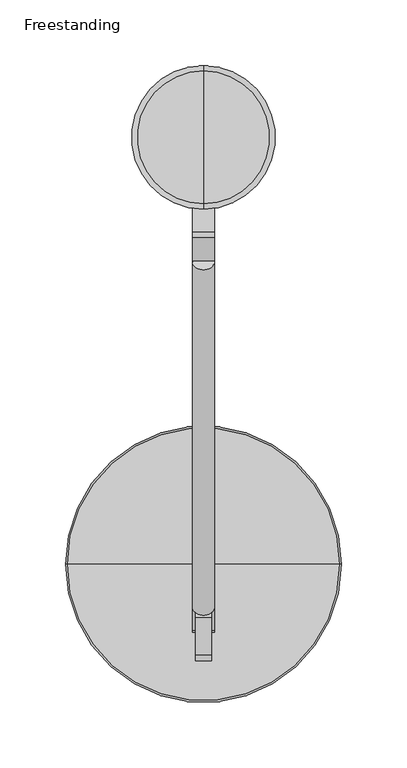
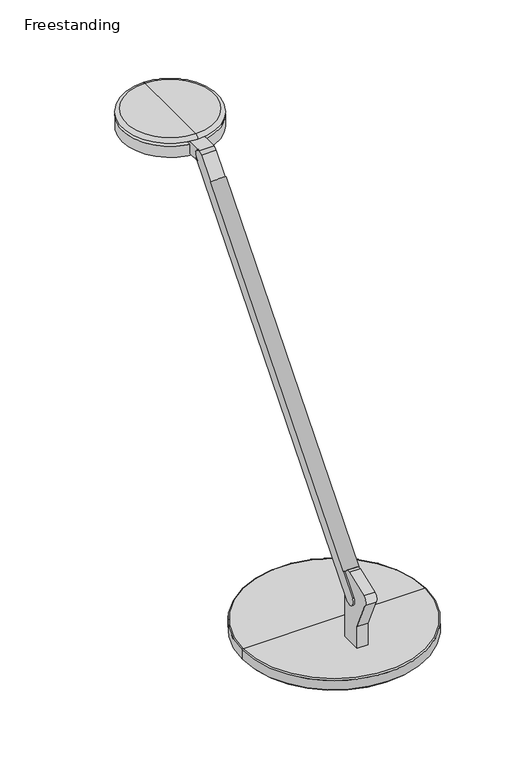
"""IFC4 building model written with IfcOpenShell, lengths in millimetres: furniture geometry, Freestanding."""

from ifc_helpers import new_model, si_unit, point, frame, frame_2d, origin, place, context, project, spatial, polyline, circle_curve, ellipse_curve, trimmed, segment, composite_curve, outline, extrude, source, transform, mapped, element, save
from ifc_brep_helpers import plane_surface, cylinder_surface, revolved_surface, advanced_brep


def freestanding_b2d482ed(model_context):
    return source(origin(), model_context, "Body", "SolidModel", [
        extrude(outline(composite_curve([segment(trimmed(circle_curve(frame_2d((0.0, 161.2861314)), 8.509), [point((8.509, 161.2861314))], [point((-8.509, 161.2861314))], False, "CARTESIAN"), True, "CONTINUOUS"), segment(polyline([(-8.509, 161.2861314), (8.509, 161.2861314)]), True, "CONTINUOUS")], self_intersect=False)), frame((0.0, -59.9275977, 934.0367561), z_axis=(0.0, 0.6453157173859881, 0.7639159802586981), x_axis=(1.0, 0.0, 0.0)), (0.0, 0.0, 1.0), 407.9752226),
        extrude(outline(composite_curve([segment(polyline([(1165.3599936, 383.6426805), (1165.3599936, 349.1496158)]), True, "CONTINUOUS"), segment(trimmed(circle_curve(frame_2d((1158.6105852, 349.1496158)), 6.7494084), [point((1165.3599936, 349.1496158))], [point((1154.3820582, 354.4102311))], True, "CARTESIAN"), True, "CONTINUOUS"), segment(polyline([(1154.3820582, 354.4102311), (1151.5508717, 352.0202702), (1151.5508717, 366.3659959), (1162.4056, 366.3659959), (1162.4056, 381.1636499), (1165.3599936, 383.6426805)]), True, "CONTINUOUS")], self_intersect=False)), frame((8.509, 0.0, 0.0), z_axis=(-1.0, 0.0, 0.0), x_axis=(0.0, 0.0, 1.0)), (0.0, 0.0, 1.0), 17.018),
        extrude(outline(composite_curve([segment(polyline([(63.6335559, 826.008), (63.6335559, 750.951), (39.5289559, 750.951), (39.5289559, 777.008319), (24.0322898, 811.8144009)]), True, "CONTINUOUS"), segment(trimmed(circle_curve(frame_2d((28.6602337, 816.3670075)), 6.491848), [point((24.0322898, 811.8144009))], [point((26.3337634, 822.4276697))], False, "CARTESIAN"), True, "CONTINUOUS"), segment(polyline([(26.3337634, 822.4276697), (54.9477675, 833.4115568)]), True, "CONTINUOUS"), segment(trimmed(circle_curve(frame_2d((57.2760289, 827.3462287)), 6.4968459), [point((54.9477675, 833.4115568))], [point((63.6335559, 826.008))], False, "CARTESIAN"), True, "CONTINUOUS")], self_intersect=False)), frame((-6.223, 0.0, 0.0), z_axis=(1.0, 0.0, 0.0), x_axis=(0.0, 1.0, 0.0)), (0.0, 0.0, 1.0), 12.446),
        advanced_brep(
        [(0.0, 95.563788, 750.9476331), (-103.8479, 95.563788, 750.9476331), (103.8479, 95.563788, 750.9476331), (-93.0792702, 95.563788, 731.9816908), (0.0, 95.563788, 731.9816908), (93.0792702, 95.563788, 731.9816908), (-93.0792702, 95.563788, 732.8852565), (93.0792702, 95.563788, 732.8852565), (-95.8939876, 95.563788, 732.8852565), (95.8939876, 95.563788, 732.8852565), (-102.4300117, 95.563788, 735.7952819), (102.4300117, 95.563788, 735.7952819), (-102.4300117, 95.563788, 738.6286331), (102.4300117, 95.563788, 738.6286331), (-105.3308643, 95.563788, 738.6286331), (105.3308643, 95.563788, 738.6286331), (-105.3308643, 95.563788, 749.4646687), (105.3308643, 95.563788, 749.4646687)],
        [
            (0, 1),
            (1, 2, circle_curve(frame((0.0, 95.563788, 750.9476331), z_axis=(0.0, 0.0, 1.0), x_axis=(1.0, 0.0, 0.0)), 103.8479)),
            (2, 0),
            (2, 1, circle_curve(frame((0.0, 95.563788, 750.9476331), z_axis=(0.0, 0.0, 1.0), x_axis=(1.0, 0.0, 0.0)), 103.8479)),
            (3, 4),
            (4, 5),
            (5, 3, circle_curve(frame((0.0, 95.563788, 731.9816908), z_axis=(0.0, 0.0, -1.0), x_axis=(1.0, 0.0, 0.0)), 93.0792702)),
            (3, 5, circle_curve(frame((0.0, 95.563788, 731.9816908), z_axis=(0.0, 0.0, -1.0), x_axis=(1.0, 0.0, 0.0)), 93.0792702)),
            (6, 3),
            (5, 7),
            (7, 6, circle_curve(frame((0.0, 95.563788, 732.8852565), z_axis=(0.0, 0.0, -1.0), x_axis=(1.0, 0.0, 0.0)), 93.0792702)),
            (6, 7, circle_curve(frame((0.0, 95.563788, 732.8852565), z_axis=(0.0, 0.0, -1.0), x_axis=(1.0, 0.0, 0.0)), 93.0792702)),
            (8, 6),
            (7, 9),
            (9, 8, circle_curve(frame((0.0, 95.563788, 732.8852565), z_axis=(0.0, 0.0, -1.0), x_axis=(1.0, 0.0, 0.0)), 95.8939876)),
            (8, 9, circle_curve(frame((0.0, 95.563788, 732.8852565), z_axis=(0.0, 0.0, -1.0), x_axis=(1.0, 0.0, 0.0)), 95.8939876)),
            (10, 8),
            (9, 11),
            (11, 10, circle_curve(frame((0.0, 95.563788, 735.7952819), z_axis=(0.0, 0.0, -1.0), x_axis=(1.0, 0.0, 0.0)), 102.4300117)),
            (10, 11, circle_curve(frame((0.0, 95.563788, 735.7952819), z_axis=(0.0, 0.0, -1.0), x_axis=(1.0, 0.0, 0.0)), 102.4300117)),
            (12, 10),
            (11, 13),
            (13, 12, circle_curve(frame((0.0, 95.563788, 738.6286331), z_axis=(0.0, 0.0, -1.0), x_axis=(1.0, 0.0, 0.0)), 102.4300117)),
            (12, 13, circle_curve(frame((0.0, 95.563788, 738.6286331), z_axis=(0.0, 0.0, -1.0), x_axis=(1.0, 0.0, 0.0)), 102.4300117)),
            (14, 12),
            (13, 15),
            (15, 14, circle_curve(frame((0.0, 95.563788, 738.6286331), z_axis=(0.0, 0.0, -1.0), x_axis=(1.0, 0.0, 0.0)), 105.3308643)),
            (14, 15, circle_curve(frame((0.0, 95.563788, 738.6286331), z_axis=(0.0, 0.0, -1.0), x_axis=(1.0, 0.0, 0.0)), 105.3308643)),
            (16, 14),
            (15, 17),
            (17, 16, circle_curve(frame((0.0, 95.563788, 749.4646687), z_axis=(0.0, 0.0, -1.0), x_axis=(1.0, 0.0, 0.0)), 105.3308643)),
            (16, 17, circle_curve(frame((0.0, 95.563788, 749.4646687), z_axis=(0.0, 0.0, -1.0), x_axis=(1.0, 0.0, 0.0)), 105.3308643)),
            (1, 16, circle_curve(frame((-103.8479, 95.563788, 749.4646687), z_axis=(0.0, -1.0, 0.0), x_axis=(-1.0, 0.0, 0.0)), 1.4829643)),
            (17, 2, circle_curve(frame((103.8479, 95.563788, 749.4646687), z_axis=(0.0, -1.0, 0.0), x_axis=(1.0, 0.0, 0.0)), 1.4829643)),
        ],
        [
            plane_surface(frame((0.0, 95.563788, 750.9476331), z_axis=(0.0, 0.0, 1.0), x_axis=(1.0, 0.0, 0.0))),
            plane_surface(frame((0.0, 95.563788, 731.9816908), z_axis=(0.0, 0.0, -1.0), x_axis=(1.0, 0.0, 0.0))),
            cylinder_surface(frame((0.0, 95.563788, 757.2976331), z_axis=(0.0, 0.0, 1.0), x_axis=(1.0, 0.0, 0.0)), 93.0792702),
            plane_surface(frame((0.0, 95.563788, 732.8852565), z_axis=(0.0, 0.0, -1.0), x_axis=(1.0, 0.0, 0.0))),
            revolved_surface(polyline([(95.8939876, 95.563788, 732.8852565), (102.4300117, 95.563788, 735.7952819)]), (0.0, 95.563788, 757.2976331), (0.0, 0.0, 1.0)),
            cylinder_surface(frame((0.0, 95.563788, 757.2976331), z_axis=(0.0, 0.0, 1.0), x_axis=(1.0, 0.0, 0.0)), 102.4300117),
            plane_surface(frame((0.0, 95.563788, 738.6286331), z_axis=(0.0, 0.0, -1.0), x_axis=(1.0, 0.0, 0.0))),
            cylinder_surface(frame((0.0, 95.563788, 757.2976331), z_axis=(0.0, 0.0, 1.0), x_axis=(1.0, 0.0, 0.0)), 105.3308643),
            revolved_surface(trimmed(ellipse_curve(frame((103.8479, 95.563788, 749.4646687), z_axis=(0.0, -1.0, 0.0), x_axis=(1.0, 0.0, 0.0)), 1.4829643, 1.4829643), [point((105.3308643, 95.563788, 749.4646687))], [point((103.8479, 95.563788, 750.9476331))], True, "CARTESIAN"), (0.0, 95.563788, 757.2976331), (0.0, 0.0, 1.0)),
        ],
        [
            (0, [[1, 2, 3]]),
            (0, [[-3, 4, -1]]),
            (1, [[5, 6, 7]]),
            (1, [[-6, -5, 8]]),
            (2, [[9, -7, 10, 11]]),
            (2, [[-10, -8, -9, 12]]),
            (3, [[13, -11, 14, 15]]),
            (3, [[-14, -12, -13, 16]]),
            (4, [[17, -15, 18, 19]]),
            (4, [[-18, -16, -17, 20]]),
            (5, [[21, -19, 22, 23]]),
            (5, [[-22, -20, -21, 24]]),
            (6, [[25, -23, 26, 27]]),
            (6, [[-26, -24, -25, 28]]),
            (7, [[29, -27, 30, 31]]),
            (7, [[-30, -28, -29, 32]]),
            (8, [[33, -31, 34, -2]]),
            (8, [[-34, -32, -33, -4]]),
        ],
    ),
        advanced_brep(
        [(0.0, 366.3659959, 1166.2156), (0.0, 370.4220506, 1170.0256), (0.0, 471.7839412, 1170.0256), (0.0, 475.8399959, 1166.2156), (0.0, 384.354515, 1166.2156), (0.0, 457.8514768, 1166.2156), (0.0, 381.6867242, 1162.4056), (0.0, 460.5192676, 1162.4056), (0.0, 366.3659959, 1162.4056), (0.0, 475.8399959, 1162.4056), (0.0, 366.3659959, 1149.0706), (0.0, 475.8399959, 1149.0706), (0.0, 421.1029959, 1149.0706), (0.0, 421.1029959, 1170.0256)],
        [
            (0, 1, circle_curve(frame((0.0, 370.4220506, 1165.9616), z_axis=(-1.0, 0.0, 0.0), x_axis=(0.0, -1.0, 0.0)), 4.064)),
            (1, 2, circle_curve(frame((0.0, 421.1029959, 1170.0256), z_axis=(0.0, 0.0, -1.0), x_axis=(0.0, 1.0, 0.0)), 50.6809453)),
            (2, 3, circle_curve(frame((0.0, 471.7839412, 1165.9616), z_axis=(-1.0, 0.0, 0.0), x_axis=(0.0, 1.0, 0.0)), 4.064)),
            (3, 0, circle_curve(frame((0.0, 421.1029959, 1166.2156), z_axis=(0.0, 0.0, 1.0), x_axis=(0.0, 1.0, 0.0)), 54.737)),
            (2, 1, circle_curve(frame((0.0, 421.1029959, 1170.0256), z_axis=(0.0, 0.0, -1.0), x_axis=(0.0, 1.0, 0.0)), 50.6809453)),
            (0, 3, circle_curve(frame((0.0, 421.1029959, 1166.2156), z_axis=(0.0, 0.0, 1.0), x_axis=(0.0, 1.0, 0.0)), 54.737)),
            (4, 0),
            (3, 5),
            (5, 4, circle_curve(frame((0.0, 421.1029959, 1166.2156), z_axis=(0.0, 0.0, 1.0), x_axis=(0.0, 1.0, 0.0)), 36.7484809)),
            (4, 5, circle_curve(frame((0.0, 421.1029959, 1166.2156), z_axis=(0.0, 0.0, 1.0), x_axis=(0.0, 1.0, 0.0)), 36.7484809)),
            (6, 4),
            (5, 7),
            (7, 6, circle_curve(frame((0.0, 421.1029959, 1162.4056), z_axis=(0.0, 0.0, 1.0), x_axis=(0.0, 1.0, 0.0)), 39.4162717)),
            (6, 7, circle_curve(frame((0.0, 421.1029959, 1162.4056), z_axis=(0.0, 0.0, 1.0), x_axis=(0.0, 1.0, 0.0)), 39.4162717)),
            (8, 6),
            (7, 9),
            (9, 8, circle_curve(frame((0.0, 421.1029959, 1162.4056), z_axis=(0.0, 0.0, 1.0), x_axis=(0.0, 1.0, 0.0)), 54.737)),
            (8, 9, circle_curve(frame((0.0, 421.1029959, 1162.4056), z_axis=(0.0, 0.0, 1.0), x_axis=(0.0, 1.0, 0.0)), 54.737)),
            (10, 8),
            (9, 11),
            (11, 10, circle_curve(frame((0.0, 421.1029959, 1149.0706), z_axis=(0.0, 0.0, 1.0), x_axis=(0.0, 1.0, 0.0)), 54.737)),
            (10, 11, circle_curve(frame((0.0, 421.1029959, 1149.0706), z_axis=(0.0, 0.0, 1.0), x_axis=(0.0, 1.0, 0.0)), 54.737)),
            (12, 10),
            (11, 12),
            (1, 13),
            (13, 2),
        ],
        [
            revolved_surface(trimmed(ellipse_curve(frame((0.0, 471.7839412, 1165.9616), z_axis=(-1.0, 0.0, 0.0), x_axis=(0.0, 1.0, 0.0)), 4.064, 4.064), [point((0.0, 471.7839412, 1170.0256))], [point((0.0, 475.8399959, 1166.2156))], True, "CARTESIAN"), (0.0, 421.1029959, 1170.0256), (0.0, 0.0, -1.0)),
            plane_surface(frame((0.0, 421.1029959, 1166.2156), z_axis=(0.0, 0.0, -1.0), x_axis=(0.0, 1.0, 0.0))),
            revolved_surface(polyline([(0.0, 457.8514768, 1166.2156), (0.0, 460.5192676, 1162.4056)]), (0.0, 421.1029959, 1170.0256), (0.0, 0.0, -1.0)),
            plane_surface(frame((0.0, 421.1029959, 1162.4056), z_axis=(0.0, 0.0, 1.0), x_axis=(0.0, 1.0, 0.0))),
            cylinder_surface(frame((0.0, 421.1029959, 1170.0256), z_axis=(0.0, 0.0, -1.0), x_axis=(0.0, 1.0, 0.0)), 54.737),
            plane_surface(frame((0.0, 421.1029959, 1149.0706), z_axis=(0.0, 0.0, -1.0), x_axis=(0.0, 1.0, 0.0))),
            plane_surface(frame((0.0, 421.1029959, 1170.0256), z_axis=(0.0, 0.0, 1.0), x_axis=(0.0, 1.0, 0.0))),
        ],
        [
            (0, [[1, 2, 3, 4]]),
            (0, [[-3, 5, -1, 6]]),
            (1, [[7, -4, 8, 9]]),
            (1, [[-8, -6, -7, 10]]),
            (2, [[11, -9, 12, 13]]),
            (2, [[-12, -10, -11, 14]]),
            (3, [[15, -13, 16, 17]]),
            (3, [[-16, -14, -15, 18]]),
            (4, [[19, -17, 20, 21]]),
            (4, [[-20, -18, -19, 22]]),
            (5, [[23, -21, 24]]),
            (5, [[-24, -22, -23]]),
            (6, [[25, 26, -2]]),
            (6, [[-26, -25, -5]]),
        ],
    ),
        extrude(outline(composite_curve([segment(polyline([(45.3086429, 808.6803092), (344.4466482, 1162.7958164)]), True, "CONTINUOUS"), segment(trimmed(circle_curve(frame_2d((349.4277131, 1158.5880769)), 6.5204355), [point((344.4466482, 1162.7958164))], [point((354.4102311, 1154.3820582))], False, "CARTESIAN"), True, "CONTINUOUS"), segment(polyline([(354.4102311, 1154.3820582), (55.394567, 800.16324)]), True, "CONTINUOUS"), segment(trimmed(circle_curve(frame_2d((50.3508694, 804.4209036)), 6.6004988), [point((55.394567, 800.16324))], [point((45.3086429, 808.6803092))], False, "CARTESIAN"), True, "CONTINUOUS")], self_intersect=False)), frame((-8.509, 0.0, 0.0), z_axis=(1.0, 0.0, 0.0), x_axis=(0.0, 1.0, 0.0)), (0.0, 0.0, 1.0), 17.018),
    ])


if __name__ == "__main__":
    model = new_model("IFC4")
    model_context = context("Model", 3, world=origin())
    ifc_project = project(units=[si_unit("LENGTHUNIT", "METRE", prefix="MILLI")], contexts=[model_context])
    site = spatial("IfcSite", under=ifc_project)
    building = spatial("IfcBuilding", under=site)
    placement = place(None, origin())
    freestanding_shape = freestanding_b2d482ed(model_context)
    element("IfcFurniture", 1, ObjectType="Freestanding", at=placement, inside=building, context=model_context, shape_type="MappedRepresentation", body=[
        mapped(freestanding_shape, transform((0.0, 0.0, 0.0), x_axis=(1.0, 0.0, 0.0), y_axis=(0.0, 1.0, 0.0), z_axis=(0.0, 0.0, 1.0))),
    ])
    save(model, "model.ifc")
